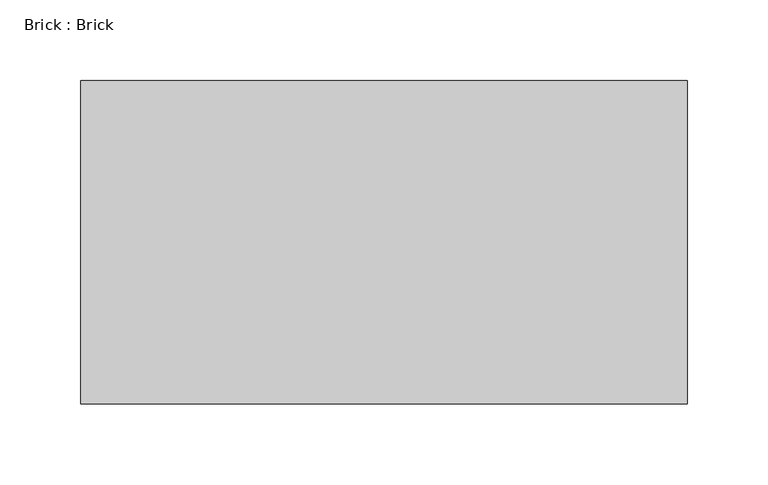
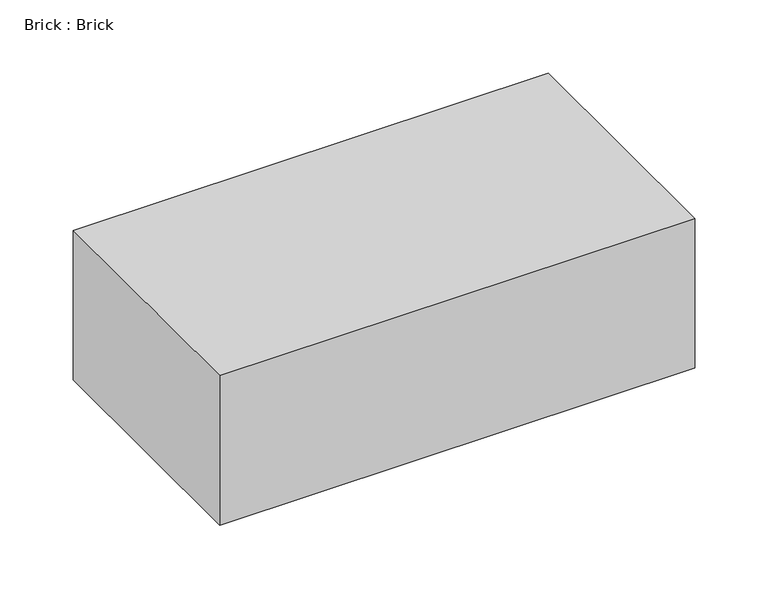
"""IFC4 building model written with IfcOpenShell, lengths in millimetres: proxy geometry, Brick : Brick."""

from ifc_helpers import new_model, si_unit, frame, origin, place, context, project, spatial, polyline, outline, extrude, source, transform, mapped, element, save


def brick_brick_1771d6b5(model_context):
    return source(origin(), model_context, "Body", "SweptSolid", [
        extrude(outline(polyline([(187.5, 100.0), (187.5, -100.0), (-187.5, -100.0), (-187.5, 100.0), (187.5, 100.0)])), frame((0.0, 0.0, -62.5), z_axis=(0.0, 0.0, 1.0), x_axis=(1.0, 0.0, 0.0)), (0.0, 0.0, 1.0), 125.0),
    ])


if __name__ == "__main__":
    model = new_model("IFC4")
    model_context = context("Model", 3, world=origin())
    ifc_project = project(units=[si_unit("LENGTHUNIT", "METRE", prefix="MILLI")], contexts=[model_context])
    site = spatial("IfcSite", under=ifc_project)
    building = spatial("IfcBuilding", under=site)
    placement = place(None, origin())
    brick_brick_shape = brick_brick_1771d6b5(model_context)
    element("IfcBuildingElementProxy", 1, Name="Brick : Brick", ObjectType="Brick : Brick", at=placement, inside=building, context=model_context, shape_type="MappedRepresentation", body=[
        mapped(brick_brick_shape, transform((0.0, 0.0, 0.0), x_axis=(1.0, 0.0, 0.0), y_axis=(0.0, 1.0, 0.0), z_axis=(0.0, 0.0, 1.0))),
    ])
    save(model, "model.ifc")
